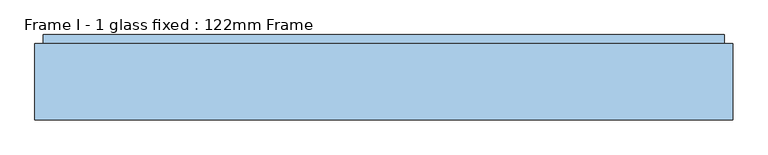
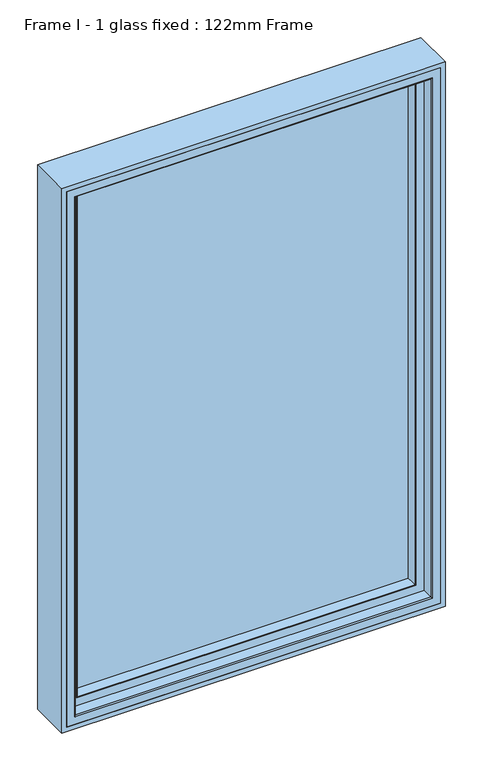
"""IFC4 building model written with IfcOpenShell, lengths in millimetres: window geometry, Frame I - 1 glass fixed : 122mm Frame."""

from ifc_helpers import new_model, si_unit, frame, origin, place, context, project, spatial, polyline, ellipse_curve, outline, extrude, source, transform, mapped, element, save
from ifc_brep_helpers import plane_surface, cylinder_surface, advanced_brep


def frame_i_1_glass_fixed_122mm_frame_6279ebd8(model_context):
    return source(origin(), model_context, "Body", "SolidModel", [
        extrude(outline(polyline([(2300.0, -500.0), (800.0, -500.0), (800.0, 500.0), (2300.0, 500.0), (2300.0, -500.0)]), holes=[polyline([(2288.0, 488.0), (812.0, 488.0), (812.0, -488.0), (2288.0, -488.0), (2288.0, 488.0)])]), frame((0.0, 32.0, 0.0), z_axis=(0.0, 1.0, 0.0), x_axis=(0.0, 0.0, 1.0)), (0.0, 0.0, 1.0), 109.0),
        extrude(outline(polyline([(-452.6, 141.0), (452.6, 141.0), (452.6, 93.0), (-452.6, 93.0), (-452.6, 141.0)])), frame((0.0, 0.0, 847.4), z_axis=(0.0, 0.0, 1.0), x_axis=(1.0, 0.0, 0.0)), (0.0, 0.0, 1.0), 1405.2),
        advanced_brep(
        [(-437.8697056, 91.0, 2237.8697056), (-440.9078547, 66.2562613, 2240.9078547), (-440.9078547, 66.2562613, 859.0921453), (-437.8697056, 91.0, 862.1302944), (-442.892947, 64.5, 2242.892947), (-442.892947, 64.5, 857.107053), (440.9078547, 66.2562613, 859.0921453), (437.8697056, 91.0, 862.1302944), (-461.5, 91.0, 2261.5), (461.5, 91.0, 2261.5), (461.5, 91.0, 838.5), (-461.5, 91.0, 838.5), (437.8697056, 91.0, 2237.8697056), (-461.5, 82.0, 2261.5), (-461.5, 82.0, 838.5), (461.5, 82.0, 838.5), (-464.0, 82.0, 2264.0), (464.0, 82.0, 2264.0), (464.0, 82.0, 836.0), (-464.0, 82.0, 836.0), (461.5, 82.0, 2261.5), (-464.0, 64.5, 2264.0), (-464.0, 64.5, 836.0), (464.0, 64.5, 836.0), (464.0, 64.5, 2264.0), (442.892947, 64.5, 2242.892947), (442.892947, 64.5, 857.107053), (440.9078547, 66.2562613, 2240.9078547)],
        [
            (0, 1),
            (1, 2),
            (2, 3),
            (3, 0),
            (1, 4, ellipse_curve(frame((-442.892947, 66.5, 2242.892947), z_axis=(-0.7071067811865475, 0.0, -0.7071067811865475), x_axis=(-0.7071067811865474, 0.0, 0.7071067811865476)), 2.8284271, 2.0)),
            (4, 5),
            (5, 2, ellipse_curve(frame((-442.892947, 66.5, 857.107053), z_axis=(-0.7071067811865475, 0.0, 0.7071067811865475), x_axis=(0.7071067811865474, 0.0, 0.7071067811865476)), 2.8284271, 2.0)),
            (2, 6),
            (6, 7),
            (7, 3),
            (8, 9),
            (9, 10),
            (10, 11),
            (11, 8),
            (7, 12),
            (12, 0),
            (13, 8),
            (11, 14),
            (14, 13),
            (10, 15),
            (15, 14),
            (16, 17),
            (17, 18),
            (18, 19),
            (19, 16),
            (15, 20),
            (20, 13),
            (21, 16),
            (19, 22),
            (22, 21),
            (18, 23),
            (23, 22),
            (23, 24),
            (24, 21),
            (4, 25),
            (25, 26),
            (26, 5),
            (26, 6, ellipse_curve(frame((442.892947, 66.5, 857.107053), z_axis=(-0.7071067811865475, 0.0, -0.7071067811865475), x_axis=(-0.7071067811865476, 0.0, 0.7071067811865474)), 2.8284271, 2.0)),
            (6, 27),
            (27, 12),
            (9, 20),
            (17, 24),
            (25, 27, ellipse_curve(frame((442.892947, 66.5, 2242.892947), z_axis=(0.7071067811865475, 0.0, -0.7071067811865475), x_axis=(-0.7071067811865474, 0.0, -0.7071067811865476)), 2.8284271, 2.0)),
            (27, 1),
        ],
        [
            plane_surface(frame((-440.9078547, 66.2562613, 2240.9078547), z_axis=(0.9925461516413219, -0.12186934340514886, 0.0), x_axis=(0.0, 0.0, -1.0))),
            cylinder_surface(frame((-442.892947, 66.5, 2237.6), z_axis=(0.0, 0.0, 1.0), x_axis=(0.0, 1.0, 0.0)), 2.0),
            plane_surface(frame((-440.9078547, 66.2562613, 859.0921453), z_axis=(0.0, -0.12186934340514886, 0.9925461516413219), x_axis=(1.0, 0.0, 0.0))),
            plane_surface(frame((437.8697056, 91.0, 2237.8697056), z_axis=(0.0, 1.0, 0.0), x_axis=(-1.0, 0.0, 0.0))),
            plane_surface(frame((-461.5, 91.0, 2261.5), z_axis=(-1.0, 0.0, 0.0), x_axis=(0.0, 0.0, -1.0))),
            plane_surface(frame((-461.5, 91.0, 838.5), z_axis=(0.0, 0.0, -1.0), x_axis=(1.0, 0.0, 0.0))),
            plane_surface(frame((461.5, 82.0, 2261.5), z_axis=(0.0, 1.0, 0.0), x_axis=(-1.0, 0.0, 0.0))),
            plane_surface(frame((-464.0, 82.0, 2264.0), z_axis=(-1.0, 0.0, 0.0), x_axis=(0.0, 0.0, -1.0))),
            plane_surface(frame((-464.0, 82.0, 836.0), z_axis=(0.0, 0.0, -1.0), x_axis=(1.0, 0.0, 0.0))),
            plane_surface(frame((464.0, 64.5, 2264.0), z_axis=(0.0, -1.0, 0.0), x_axis=(-1.0, 0.0, 0.0))),
            cylinder_surface(frame((-437.6, 66.5, 857.107053), z_axis=(-1.0, 0.0, 0.0), x_axis=(0.0, 1.0, 0.0)), 2.0),
            plane_surface(frame((440.9078547, 66.2562613, 859.0921453), z_axis=(-0.9925461516413219, -0.12186934340514886, 0.0), x_axis=(0.0, 0.0, 1.0))),
            plane_surface(frame((461.5, 91.0, 838.5), z_axis=(1.0, 0.0, 0.0), x_axis=(0.0, 0.0, 1.0))),
            plane_surface(frame((464.0, 82.0, 836.0), z_axis=(1.0, 0.0, 0.0), x_axis=(0.0, 0.0, 1.0))),
            cylinder_surface(frame((442.892947, 66.5, 862.4), z_axis=(0.0, 0.0, -1.0), x_axis=(0.0, 1.0, 0.0)), 2.0),
            plane_surface(frame((440.9078547, 66.2562613, 2240.9078547), z_axis=(0.0, -0.12186934340514886, -0.9925461516413219), x_axis=(-1.0, 0.0, 0.0))),
            plane_surface(frame((461.5, 91.0, 2261.5), z_axis=(0.0, 0.0, 1.0), x_axis=(-1.0, 0.0, 0.0))),
            plane_surface(frame((464.0, 82.0, 2264.0), z_axis=(0.0, 0.0, 1.0), x_axis=(-1.0, 0.0, 0.0))),
            cylinder_surface(frame((437.6, 66.5, 2242.892947), z_axis=(1.0, 0.0, 0.0), x_axis=(0.0, 1.0, 0.0)), 2.0),
        ],
        [
            (0, [[1, 2, 3, 4]]),
            (1, [[5, 6, 7, -2]]),
            (2, [[-3, 8, 9, 10]]),
            (3, [[11, 12, 13, 14], [-10, 15, 16, -4]]),
            (4, [[17, -14, 18, 19]]),
            (5, [[-18, -13, 20, 21]]),
            (6, [[22, 23, 24, 25], [-21, 26, 27, -19]]),
            (7, [[28, -25, 29, 30]]),
            (8, [[-29, -24, 31, 32]]),
            (9, [[-32, 33, 34, -30], [35, 36, 37, -6]]),
            (10, [[-7, -37, 38, -8]]),
            (11, [[-9, 39, 40, -15]]),
            (12, [[-20, -12, 41, -26]]),
            (13, [[-31, -23, 42, -33]]),
            (14, [[-38, -36, 43, -39]]),
            (15, [[-40, 44, -1, -16]]),
            (16, [[-41, -11, -17, -27]]),
            (17, [[-42, -22, -28, -34]]),
            (18, [[-43, -35, -5, -44]]),
        ],
    ),
        advanced_brep(
        [(-464.0, 83.0, 2264.0), (-464.0, 35.0, 2264.0), (-464.0, 35.0, 836.0), (-464.0, 83.0, 836.0), (-467.0, 32.0, 2267.0), (-467.0, 32.0, 833.0), (464.0, 35.0, 836.0), (464.0, 83.0, 836.0), (464.0, 83.0, 2264.0), (-462.0, 83.0, 2262.0), (462.0, 83.0, 2262.0), (462.0, 83.0, 838.0), (-462.0, 83.0, 838.0), (-462.0, 91.0, 2262.0), (-462.0, 91.0, 838.0), (462.0, 91.0, 838.0), (462.0, 91.0, 2262.0), (-455.7805994, 91.0, 2255.7805994), (455.7805994, 91.0, 2255.7805994), (455.7805994, 91.0, 844.2194006), (-455.7805994, 91.0, 844.2194006), (-438.0131086, 143.3877115, 2238.0131086), (-438.0131086, 142.0, 2238.0131086), (-438.0131086, 142.0, 861.9868914), (-438.0131086, 143.3877115, 861.9868914), (-462.2226568, 142.0, 837.7773432), (462.2226568, 142.0, 837.7773432), (462.2226568, 142.0, 2262.2226568), (-462.2226568, 142.0, 2262.2226568), (438.0131086, 142.0, 2238.0131086), (438.0131086, 142.0, 861.9868914), (438.0131086, 143.3877115, 861.9868914), (-441.2576108, 154.0, 2241.2576108), (-441.2576108, 154.0, 858.7423892), (441.2576108, 154.0, 858.7423892), (-488.0, 154.0, 2288.0), (488.0, 154.0, 2288.0), (488.0, 154.0, 812.0), (-488.0, 154.0, 812.0), (441.2576108, 154.0, 2241.2576108), (-488.0, 90.5, 2288.0), (-488.0, 90.5, 812.0), (488.0, 90.5, 812.0), (488.0, 90.5, 2288.0), (-481.0, 90.5, 2281.0), (481.0, 90.5, 2281.0), (481.0, 90.5, 819.0), (-481.0, 90.5, 819.0), (467.0, 32.0, 833.0), (464.0, 35.0, 2264.0), (438.0131086, 143.3877115, 2238.0131086), (467.0, 32.0, 2267.0), (-488.0, 32.0, 812.0), (488.0, 32.0, 812.0), (488.0, 32.0, 2288.0), (-488.0, 32.0, 2288.0), (-488.0, 86.5, 812.0), (488.0, 86.5, 812.0), (488.0, 86.5, 2288.0), (-488.0, 86.5, 2288.0), (-481.0, 86.5, 2281.0), (-481.0, 86.5, 819.0), (481.0, 86.5, 819.0), (481.0, 86.5, 2281.0)],
        [
            (0, 1),
            (1, 2),
            (2, 3),
            (3, 0),
            (1, 4, ellipse_curve(frame((-467.0, 35.0, 2267.0), z_axis=(-0.7071067811865475, 0.0, -0.7071067811865475), x_axis=(-0.7071067811865474, 0.0, 0.7071067811865476)), 4.2426407, 3.0)),
            (4, 5),
            (5, 2, ellipse_curve(frame((-467.0, 35.0, 833.0), z_axis=(-0.7071067811865475, 0.0, 0.7071067811865475), x_axis=(0.7071067811865474, 0.0, 0.7071067811865476)), 4.2426407, 3.0)),
            (2, 6),
            (6, 7),
            (7, 3),
            (7, 8),
            (8, 0),
            (9, 10),
            (10, 11),
            (11, 12),
            (12, 9),
            (13, 9),
            (12, 14),
            (14, 13),
            (11, 15),
            (15, 14),
            (15, 16),
            (16, 13),
            (17, 18),
            (18, 19),
            (19, 20),
            (20, 17),
            (21, 22),
            (22, 23),
            (23, 24),
            (24, 21),
            (25, 26),
            (26, 27),
            (27, 28),
            (28, 25),
            (22, 29),
            (29, 30),
            (30, 23),
            (30, 31),
            (31, 24),
            (32, 21),
            (24, 33),
            (33, 32),
            (31, 34),
            (34, 33),
            (35, 36),
            (36, 37),
            (37, 38),
            (38, 35),
            (34, 39),
            (39, 32),
            (40, 35),
            (38, 41),
            (41, 40),
            (37, 42),
            (42, 41),
            (42, 43),
            (43, 40),
            (44, 45),
            (45, 46),
            (46, 47),
            (47, 44),
            (5, 48),
            (48, 6, ellipse_curve(frame((467.0, 35.0, 833.0), z_axis=(-0.7071067811865475, 0.0, -0.7071067811865475), x_axis=(-0.7071067811865476, 0.0, 0.7071067811865474)), 4.2426407, 3.0)),
            (6, 49),
            (49, 8),
            (10, 16),
            (29, 50),
            (50, 31),
            (50, 39),
            (36, 43),
            (48, 51),
            (51, 49, ellipse_curve(frame((467.0, 35.0, 2267.0), z_axis=(0.7071067811865475, 0.0, -0.7071067811865475), x_axis=(-0.7071067811865474, 0.0, -0.7071067811865476)), 4.2426407, 3.0)),
            (25, 20),
            (19, 26),
            (18, 27),
            (28, 17),
            (52, 53),
            (53, 54),
            (54, 55),
            (55, 52),
            (4, 51),
            (52, 56),
            (56, 57),
            (57, 53),
            (57, 58),
            (58, 54),
            (55, 59),
            (59, 56),
            (60, 44),
            (47, 61),
            (61, 60),
            (46, 62),
            (62, 61),
            (59, 58),
            (62, 63),
            (63, 60),
            (45, 63),
            (49, 1),
            (21, 50),
        ],
        [
            plane_surface(frame((-464.0, 35.0, 2264.0), z_axis=(1.0, 0.0, 0.0), x_axis=(0.0, 0.0, -1.0))),
            cylinder_surface(frame((-467.0, 35.0, 2288.0), z_axis=(0.0, 0.0, 1.0), x_axis=(0.0, 1.0, 0.0)), 3.0),
            plane_surface(frame((-464.0, 35.0, 836.0), z_axis=(0.0, 0.0, 1.0), x_axis=(1.0, 0.0, 0.0))),
            plane_surface(frame((464.0, 83.0, 2264.0), z_axis=(0.0, -1.0, 0.0), x_axis=(-1.0, 0.0, 0.0))),
            plane_surface(frame((-462.0, 83.0, 2262.0), z_axis=(1.0, 0.0, 0.0), x_axis=(0.0, 0.0, -1.0))),
            plane_surface(frame((-462.0, 83.0, 838.0), z_axis=(0.0, 0.0, 1.0), x_axis=(1.0, 0.0, 0.0))),
            plane_surface(frame((462.0, 91.0, 2262.0), z_axis=(0.0, -1.0, 0.0), x_axis=(-1.0, 0.0, 0.0))),
            plane_surface(frame((-438.0131086, 142.0, 2238.0131086), z_axis=(1.0, 0.0, 0.0), x_axis=(0.0, 0.0, -1.0))),
            plane_surface(frame((462.2226568, 142.0, 2262.2226568), z_axis=(0.0, -1.0, 0.0), x_axis=(-1.0, 0.0, 0.0))),
            plane_surface(frame((-438.0131086, 142.0, 861.9868914), z_axis=(0.0, 0.0, 1.0), x_axis=(1.0, 0.0, 0.0))),
            plane_surface(frame((-438.0131086, 143.3877115, 2238.0131086), z_axis=(0.9563047559629344, 0.29237170472306745, 0.0), x_axis=(0.0, 0.0, -1.0))),
            plane_surface(frame((-438.0131086, 143.3877115, 861.9868914), z_axis=(0.0, 0.29237170472306745, 0.9563047559629344), x_axis=(1.0, 0.0, 0.0))),
            plane_surface(frame((441.2576108, 154.0, 2241.2576108), z_axis=(0.0, 1.0, 0.0), x_axis=(-1.0, 0.0, 0.0))),
            plane_surface(frame((-488.0, 154.0, 2288.0), z_axis=(-1.0, 0.0, 0.0), x_axis=(0.0, 0.0, -1.0))),
            plane_surface(frame((-488.0, 154.0, 812.0), z_axis=(0.0, 0.0, -1.0), x_axis=(1.0, 0.0, 0.0))),
            plane_surface(frame((488.0, 90.5, 2288.0), z_axis=(0.0, -1.0, 0.0), x_axis=(-1.0, 0.0, 0.0))),
            cylinder_surface(frame((-488.0, 35.0, 833.0), z_axis=(-1.0, 0.0, 0.0), x_axis=(0.0, 1.0, 0.0)), 3.0),
            plane_surface(frame((464.0, 35.0, 836.0), z_axis=(-1.0, 0.0, 0.0), x_axis=(0.0, 0.0, 1.0))),
            plane_surface(frame((462.0, 83.0, 838.0), z_axis=(-1.0, 0.0, 0.0), x_axis=(0.0, 0.0, 1.0))),
            plane_surface(frame((438.0131086, 142.0, 861.9868914), z_axis=(-1.0, 0.0, 0.0), x_axis=(0.0, 0.0, 1.0))),
            plane_surface(frame((438.0131086, 143.3877115, 861.9868914), z_axis=(-0.9563047559629344, 0.29237170472306745, 0.0), x_axis=(0.0, 0.0, 1.0))),
            plane_surface(frame((488.0, 154.0, 812.0), z_axis=(1.0, 0.0, 0.0), x_axis=(0.0, 0.0, 1.0))),
            cylinder_surface(frame((467.0, 35.0, 812.0), z_axis=(0.0, 0.0, -1.0), x_axis=(0.0, 1.0, 0.0)), 3.0),
            plane_surface(frame((-455.7805994, 91.0, 844.2194006), z_axis=(0.0, 0.1253190461918588, 0.9921164934933613), x_axis=(1.0, 0.0, 0.0))),
            plane_surface(frame((455.7805994, 91.0, 844.2194006), z_axis=(-0.9921164934933613, 0.1253190461918588, 0.0), x_axis=(0.0, 0.0, 1.0))),
            plane_surface(frame((-455.7805994, 91.0, 2255.7805994), z_axis=(0.9921164934933613, 0.1253190461918588, 0.0), x_axis=(0.0, 0.0, -1.0))),
            plane_surface(frame((488.0, 32.0, 2288.0), z_axis=(0.0, -1.0, 0.0), x_axis=(-1.0, 0.0, 0.0))),
            plane_surface(frame((-488.0, 86.5, 812.0), z_axis=(0.0, 0.0, -1.0), x_axis=(1.0, 0.0, 0.0))),
            plane_surface(frame((488.0, 86.5, 812.0), z_axis=(1.0, 0.0, 0.0), x_axis=(0.0, 0.0, 1.0))),
            plane_surface(frame((-488.0, 86.5, 2288.0), z_axis=(-1.0, 0.0, 0.0), x_axis=(0.0, 0.0, -1.0))),
            plane_surface(frame((-481.0, 90.5, 2281.0), z_axis=(-1.0, 0.0, 0.0), x_axis=(0.0, 0.0, -1.0))),
            plane_surface(frame((-481.0, 90.5, 819.0), z_axis=(0.0, 0.0, -1.0), x_axis=(1.0, 0.0, 0.0))),
            plane_surface(frame((481.0, 86.5, 2281.0), z_axis=(0.0, 1.0, 0.0), x_axis=(-1.0, 0.0, 0.0))),
            plane_surface(frame((481.0, 90.5, 819.0), z_axis=(1.0, 0.0, 0.0), x_axis=(0.0, 0.0, 1.0))),
            plane_surface(frame((464.0, 35.0, 2264.0), z_axis=(0.0, 0.0, -1.0), x_axis=(-1.0, 0.0, 0.0))),
            plane_surface(frame((462.0, 83.0, 2262.0), z_axis=(0.0, 0.0, -1.0), x_axis=(-1.0, 0.0, 0.0))),
            plane_surface(frame((438.0131086, 142.0, 2238.0131086), z_axis=(0.0, 0.0, -1.0), x_axis=(-1.0, 0.0, 0.0))),
            plane_surface(frame((438.0131086, 143.3877115, 2238.0131086), z_axis=(0.0, 0.29237170472306745, -0.9563047559629344), x_axis=(-1.0, 0.0, 0.0))),
            plane_surface(frame((488.0, 154.0, 2288.0), z_axis=(0.0, 0.0, 1.0), x_axis=(-1.0, 0.0, 0.0))),
            cylinder_surface(frame((488.0, 35.0, 2267.0), z_axis=(1.0, 0.0, 0.0), x_axis=(0.0, 1.0, 0.0)), 3.0),
            plane_surface(frame((481.0, 90.5, 2281.0), z_axis=(0.0, 0.0, 1.0), x_axis=(-1.0, 0.0, 0.0))),
            plane_surface(frame((488.0, 86.5, 2288.0), z_axis=(0.0, 0.0, 1.0), x_axis=(-1.0, 0.0, 0.0))),
            plane_surface(frame((455.7805994, 91.0, 2255.7805994), z_axis=(0.0, 0.1253190461918588, -0.9921164934933613), x_axis=(-1.0, 0.0, 0.0))),
        ],
        [
            (0, [[1, 2, 3, 4]]),
            (1, [[5, 6, 7, -2]]),
            (2, [[-3, 8, 9, 10]]),
            (3, [[-10, 11, 12, -4], [13, 14, 15, 16]]),
            (4, [[17, -16, 18, 19]]),
            (5, [[-18, -15, 20, 21]]),
            (6, [[-21, 22, 23, -19], [24, 25, 26, 27]]),
            (7, [[28, 29, 30, 31]]),
            (8, [[32, 33, 34, 35], [36, 37, 38, -29]]),
            (9, [[-30, -38, 39, 40]]),
            (10, [[41, -31, 42, 43]]),
            (11, [[-42, -40, 44, 45]]),
            (12, [[46, 47, 48, 49], [-45, 50, 51, -43]]),
            (13, [[52, -49, 53, 54]]),
            (14, [[-53, -48, 55, 56]]),
            (15, [[-56, 57, 58, -54], [59, 60, 61, 62]]),
            (16, [[-7, 63, 64, -8]]),
            (17, [[-9, 65, 66, -11]]),
            (18, [[-20, -14, 67, -22]]),
            (19, [[-39, -37, 68, 69]]),
            (20, [[-44, -69, 70, -50]]),
            (21, [[-55, -47, 71, -57]]),
            (22, [[-64, 72, 73, -65]]),
            (23, [[74, -26, 75, -32]]),
            (24, [[-75, -25, 76, -33]]),
            (25, [[77, -27, -74, -35]]),
            (26, [[78, 79, 80, 81], [82, -72, -63, -6]]),
            (27, [[83, 84, 85, -78]]),
            (28, [[-85, 86, 87, -79]]),
            (29, [[88, 89, -83, -81]]),
            (30, [[90, -62, 91, 92]]),
            (31, [[-91, -61, 93, 94]]),
            (32, [[95, -86, -84, -89], [-94, 96, 97, -92]]),
            (33, [[-93, -60, 98, -96]]),
            (34, [[-66, 99, -1, -12]]),
            (35, [[-67, -13, -17, -23]]),
            (36, [[-68, -36, -28, 100]]),
            (37, [[-70, -100, -41, -51]]),
            (38, [[-71, -46, -52, -58]]),
            (39, [[-73, -82, -5, -99]]),
            (40, [[-98, -59, -90, -97]]),
            (41, [[-87, -95, -88, -80]]),
            (42, [[-76, -24, -77, -34]]),
        ],
    ),
    ])


if __name__ == "__main__":
    model = new_model("IFC4")
    model_context = context("Model", 3, world=origin())
    ifc_project = project(units=[si_unit("LENGTHUNIT", "METRE", prefix="MILLI")], contexts=[model_context])
    site = spatial("IfcSite", under=ifc_project)
    building = spatial("IfcBuilding", under=site)
    placement = place(None, origin())
    frame_i_1_glass_fixed_122mm_frame_shape = frame_i_1_glass_fixed_122mm_frame_6279ebd8(model_context)
    element("IfcWindow", 1, ObjectType="Frame I - 1 glass fixed : 122mm Frame", at=placement, inside=building, context=model_context, shape_type="MappedRepresentation", body=[
        mapped(frame_i_1_glass_fixed_122mm_frame_shape, transform((0.0, 0.0, 0.0), x_axis=(1.0, 0.0, 0.0), y_axis=(0.0, 1.0, 0.0), z_axis=(0.0, 0.0, 1.0))),
    ])
    save(model, "model.ifc")
